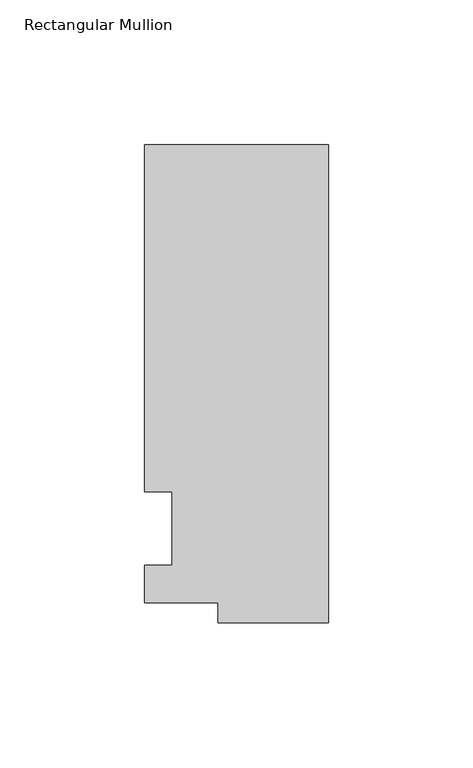
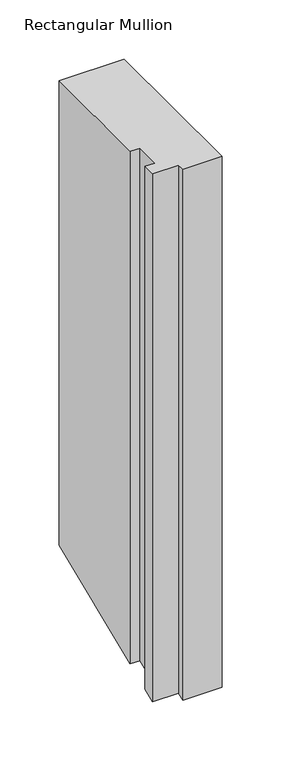
"""IFC4 building model written with IfcOpenShell, lengths in millimetres: member geometry, Rectangular Mullion."""

from ifc_helpers import new_model, si_unit, origin, place, context, project, spatial, faceted_brep, source, transform, mapped, element, save


def rectangular_mullion_a7509c91(model_context):
    return source(origin(), model_context, "Body", "Brep", [
        faceted_brep([(-38.1, -32.54375, 0.0), (0.0, -32.54375, 0.0), (0.0, 132.55625, 0.0), (-63.5, 132.55625, 0.0), (-63.5, 12.7, 0.0), (-53.975, 12.7, 0.0), (-53.975, -12.7, 0.0), (-63.5, -12.7, 0.0), (-63.5, -25.58415, 0.0), (-38.1, -25.58415, 0.0), (-38.1, -32.54375, -546.8800626), (0.0, -32.54375, -546.8800626), (0.0, 132.55625, -478.4934035), (-63.5, 132.55625, -478.4934035), (-63.5, 12.7, -528.1394878), (-53.975, 12.7, -528.1394878), (-53.975, -12.7, -538.6605122), (-63.5, -12.7, -538.6605122), (-63.5, -25.58415, -543.9973019), (-38.1, -25.58415, -543.9973019)], [[[0, 1, 2, 3, 4, 5, 6, 7, 8, 9]], [[1, 0, 10, 11]], [[2, 1, 11, 12]], [[3, 2, 12, 13]], [[4, 3, 13, 14]], [[5, 4, 14, 15]], [[6, 5, 15, 16]], [[7, 6, 16, 17]], [[8, 7, 17, 18]], [[9, 8, 18, 19]], [[0, 9, 19, 10]], [[10, 19, 18, 17, 16, 15, 14, 13, 12, 11]]]),
    ])


if __name__ == "__main__":
    model = new_model("IFC4")
    model_context = context("Model", 3, world=origin())
    ifc_project = project(units=[si_unit("LENGTHUNIT", "METRE", prefix="MILLI")], contexts=[model_context])
    site = spatial("IfcSite", under=ifc_project)
    building = spatial("IfcBuilding", under=site)
    placement = place(None, origin())
    rectangular_mullion_shape = rectangular_mullion_a7509c91(model_context)
    element("IfcMember", 1, ObjectType="Rectangular Mullion", at=placement, inside=building, context=model_context, shape_type="MappedRepresentation", body=[
        mapped(rectangular_mullion_shape, transform((0.0, 0.0, 0.0), x_axis=(1.0, 0.0, 0.0), y_axis=(0.0, 1.0, 0.0), z_axis=(0.0, 0.0, 1.0))),
    ])
    save(model, "model.ifc")
